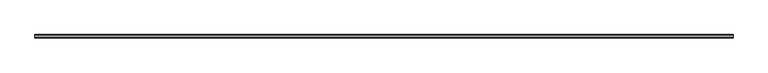
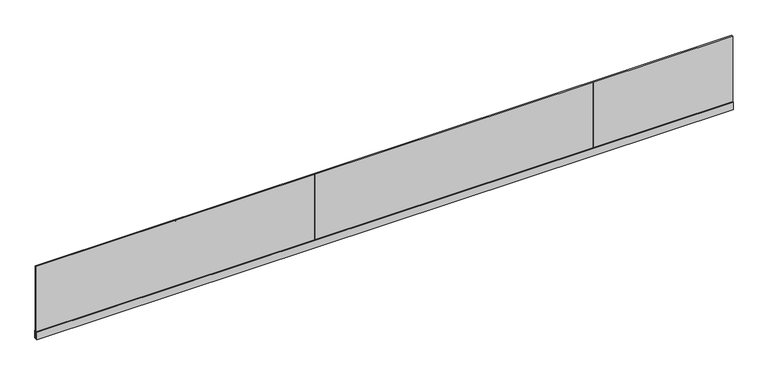
"""IFC4 building model written with IfcOpenShell, lengths in millimetres: railing geometry."""

from ifc_helpers import new_model, si_unit, frame, origin, place, context, project, spatial, polyline, outline, extrude, source, transform, mapped, element, save


def railing_95bd3a95(model_context):
    return source(origin(), model_context, "Body", "SweptSolid", [
        extrude(outline(polyline([(11938.4260939, -3118.1175492), (11938.4260939, -3139.6175492), (1938.4260939, -3139.6175492), (1938.4260939, -3118.1175492), (11938.4260939, -3118.1175492)])), frame((0.0, 0.0, 13.0), z_axis=(0.0, 0.0, 1.0), x_axis=(1.0, 0.0, 0.0)), (0.0, 0.0, 1.0), 1092.0),
        extrude(outline(polyline([(-3103.8675492, 0.0), (-3128.8675492, 0.0), (-3153.8675492, 0.0), (-3153.8675492, 114.0), (-3139.6175492, 114.0), (-3139.6175492, 13.5), (-3128.8675492, 13.5), (-3118.1175492, 13.5), (-3118.1175492, 114.0), (-3103.8675492, 114.0), (-3103.8675492, 0.0)])), frame((1938.4260939, 0.0, 0.0), z_axis=(1.0, 0.0, 0.0), x_axis=(0.0, 1.0, 0.0)), (0.0, 0.0, 1.0), 10000.0),
        extrude(outline(polyline([(3936.7594289, -3139.6175492), (3936.7594289, -3118.1175492), (3940.0927589, -3118.1175492), (3940.0927589, -3139.6175492), (3936.7594289, -3139.6175492)])), frame((0.0, 0.0, 7.9), z_axis=(0.0, 0.0, 1.0), x_axis=(1.0, 0.0, 0.0)), (0.0, 0.0, 1.0), 1092.0),
        extrude(outline(polyline([(5936.7594289, -3139.6175492), (5936.7594289, -3118.1175492), (5940.0927589, -3118.1175492), (5940.0927589, -3139.6175492), (5936.7594289, -3139.6175492)])), frame((0.0, 0.0, 7.9), z_axis=(0.0, 0.0, 1.0), x_axis=(1.0, 0.0, 0.0)), (0.0, 0.0, 1.0), 1092.0),
        extrude(outline(polyline([(7936.7594289, -3139.6175492), (7936.7594289, -3118.1175492), (7940.0927589, -3118.1175492), (7940.0927589, -3139.6175492), (7936.7594289, -3139.6175492)])), frame((0.0, 0.0, 7.9), z_axis=(0.0, 0.0, 1.0), x_axis=(1.0, 0.0, 0.0)), (0.0, 0.0, 1.0), 1092.0),
        extrude(outline(polyline([(9936.7594289, -3139.6175492), (9936.7594289, -3118.1175492), (9940.0927589, -3118.1175492), (9940.0927589, -3139.6175492), (9936.7594289, -3139.6175492)])), frame((0.0, 0.0, 7.9), z_axis=(0.0, 0.0, 1.0), x_axis=(1.0, 0.0, 0.0)), (0.0, 0.0, 1.0), 1092.0),
    ])


if __name__ == "__main__":
    model = new_model("IFC4")
    model_context = context("Model", 3, world=origin())
    ifc_project = project(units=[si_unit("LENGTHUNIT", "METRE", prefix="MILLI")], contexts=[model_context])
    site = spatial("IfcSite", under=ifc_project)
    building = spatial("IfcBuilding", under=site)
    placement = place(None, origin())
    railing_shape = railing_95bd3a95(model_context)
    element("IfcRailing", 1, at=placement, inside=building, context=model_context, shape_type="MappedRepresentation", body=[
        mapped(railing_shape, transform((0.0, 0.0, 0.0), x_axis=(1.0, 0.0, 0.0), y_axis=(0.0, 1.0, 0.0), z_axis=(0.0, 0.0, 1.0))),
    ])
    save(model, "model.ifc")
